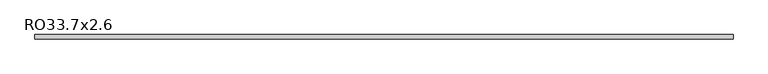
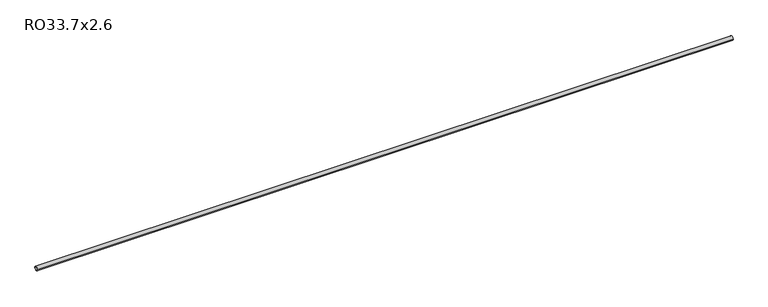
"""IFC4 building model written with IfcOpenShell, lengths in millimetres: member geometry, RO33.7x2.6."""

from ifc_helpers import new_model, si_unit, point, frame, origin, origin_2d, place, context, project, spatial, circle_curve, trimmed, segment, composite_curve, outline, extrude, source, transform, mapped, element, save


def ro33_7x2_6_63ef5268(model_context):
    return source(origin(), model_context, "Body", "SweptSolid", [
        extrude(outline(composite_curve([segment(trimmed(circle_curve(origin_2d(), 16.85), [point((-16.85, 0.0))], [point((16.85, 0.0))], False, "CARTESIAN"), True, "CONTINUOUS"), segment(trimmed(circle_curve(origin_2d(), 16.85), [point((16.85, 0.0))], [point((-16.85, 0.0))], False, "CARTESIAN"), True, "CONTINUOUS")], self_intersect=False), holes=[composite_curve([segment(trimmed(circle_curve(origin_2d(), 14.25), [point((14.25, 0.0))], [point((-14.25, 0.0))], True, "CARTESIAN"), True, "CONTINUOUS"), segment(trimmed(circle_curve(origin_2d(), 14.25), [point((-14.25, 0.0))], [point((14.25, 0.0))], True, "CARTESIAN"), True, "CONTINUOUS")], self_intersect=False)]), frame((-2793.1, 0.0, 0.0), z_axis=(1.0, 0.0, 0.0), x_axis=(0.0, 1.0, 0.0)), (0.0, 0.0, 1.0), 5586.2),
    ])


if __name__ == "__main__":
    model = new_model("IFC4")
    model_context = context("Model", 3, world=origin())
    ifc_project = project(units=[si_unit("LENGTHUNIT", "METRE", prefix="MILLI")], contexts=[model_context])
    site = spatial("IfcSite", under=ifc_project)
    building = spatial("IfcBuilding", under=site)
    placement = place(None, origin())
    ro33_7x2_6_shape = ro33_7x2_6_63ef5268(model_context)
    element("IfcMember", 1, ObjectType="RO33.7x2.6", at=placement, inside=building, context=model_context, shape_type="MappedRepresentation", body=[
        mapped(ro33_7x2_6_shape, transform((0.0, 0.0, 0.0), x_axis=(1.0, 0.0, 0.0), y_axis=(0.0, 1.0, 0.0), z_axis=(0.0, 0.0, 1.0))),
    ])
    save(model, "model.ifc")
